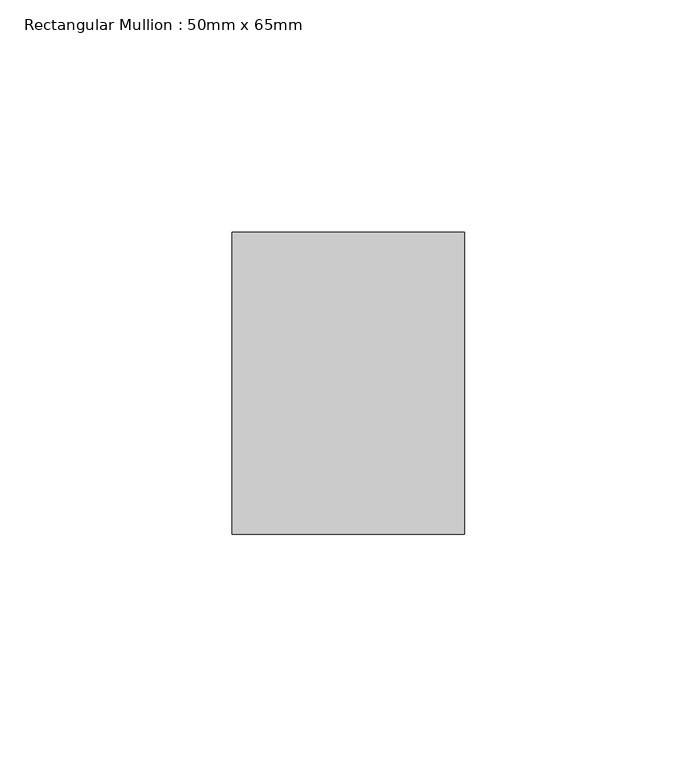
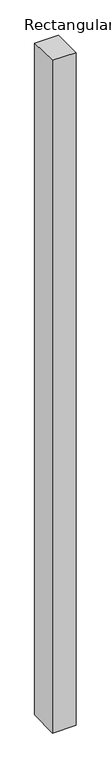
"""IFC4 building model written with IfcOpenShell, lengths in millimetres: member geometry, Rectangular Mullion : 50mm x 65mm."""

from ifc_helpers import new_model, si_unit, origin, place, context, project, spatial, faceted_brep, source, transform, mapped, element, save


def rectangular_mullion_50mm_x_65mm_71055509(model_context):
    return source(origin(), model_context, "Body", "Brep", [
        faceted_brep([(-25.0, 32.5, -0.5683182), (25.0, 32.5, -0.5683213), (25.0, 32.5, -1499.287225), (-25.0, 32.5, -1499.2872289), (-25.0, -32.5, 0.5683213), (-25.0, -32.5, -1500.7126449), (25.0, -32.5, 0.5683182), (25.0, -32.5, -1500.712641)], [[[0, 1, 2, 3]], [[4, 0, 3, 5]], [[6, 4, 5, 7]], [[1, 6, 7, 2]], [[1, 0, 4, 6]], [[2, 7, 5, 3]]]),
    ])


if __name__ == "__main__":
    model = new_model("IFC4")
    model_context = context("Model", 3, world=origin())
    ifc_project = project(units=[si_unit("LENGTHUNIT", "METRE", prefix="MILLI")], contexts=[model_context])
    site = spatial("IfcSite", under=ifc_project)
    building = spatial("IfcBuilding", under=site)
    placement = place(None, origin())
    rectangular_mullion_50mm_x_65mm_shape = rectangular_mullion_50mm_x_65mm_71055509(model_context)
    element("IfcMember", 1, ObjectType="Rectangular Mullion : 50mm x 65mm", at=placement, inside=building, context=model_context, shape_type="MappedRepresentation", body=[
        mapped(rectangular_mullion_50mm_x_65mm_shape, transform((0.0, 0.0, 0.0), x_axis=(1.0, 0.0, 0.0), y_axis=(0.0, 1.0, 0.0), z_axis=(0.0, 0.0, 1.0))),
    ])
    save(model, "model.ifc")
